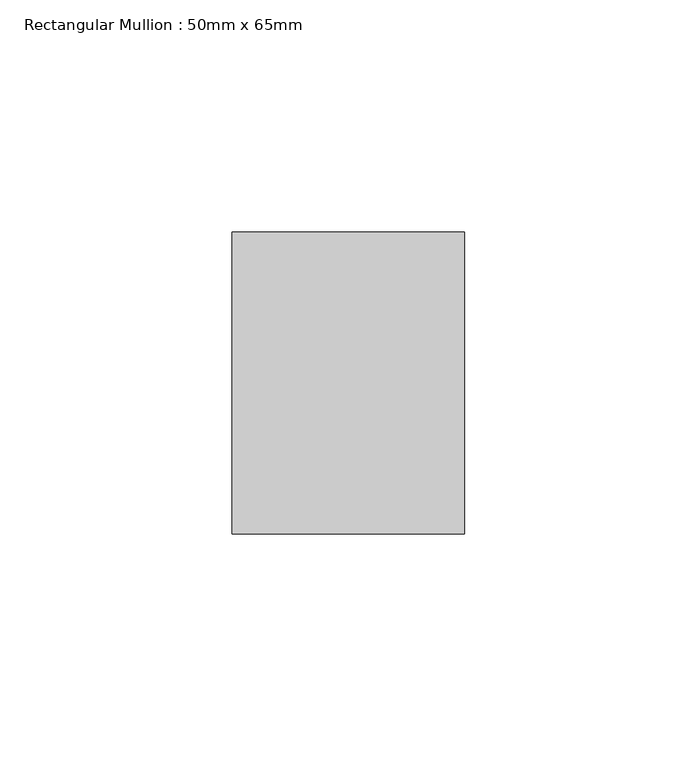
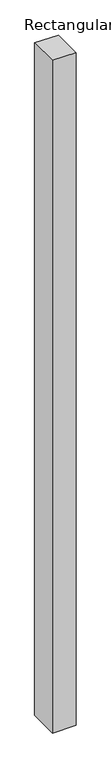
"""IFC4 building model written with IfcOpenShell, lengths in millimetres: member geometry, Rectangular Mullion : 50mm x 65mm."""

from ifc_helpers import new_model, si_unit, origin, place, context, project, spatial, faceted_brep, source, transform, mapped, element, save


def rectangular_mullion_50mm_x_65mm_0fa790a4(model_context):
    return source(origin(), model_context, "Body", "Brep", [
        faceted_brep([(-25.0, 32.5, -0.1835717), (25.0, 32.5, -0.1835731), (25.0, 32.5, -1499.7334528), (-25.0, 32.5, -1499.733455), (-25.0, -32.5, 0.1835731), (-25.0, -32.5, -1500.2663511), (25.0, -32.5, 0.1835717), (25.0, -32.5, -1500.2663489)], [[[0, 1, 2, 3]], [[4, 0, 3, 5]], [[6, 4, 5, 7]], [[1, 6, 7, 2]], [[1, 0, 4, 6]], [[2, 7, 5, 3]]]),
    ])


if __name__ == "__main__":
    model = new_model("IFC4")
    model_context = context("Model", 3, world=origin())
    ifc_project = project(units=[si_unit("LENGTHUNIT", "METRE", prefix="MILLI")], contexts=[model_context])
    site = spatial("IfcSite", under=ifc_project)
    building = spatial("IfcBuilding", under=site)
    placement = place(None, origin())
    rectangular_mullion_50mm_x_65mm_shape = rectangular_mullion_50mm_x_65mm_0fa790a4(model_context)
    element("IfcMember", 1, ObjectType="Rectangular Mullion : 50mm x 65mm", at=placement, inside=building, context=model_context, shape_type="MappedRepresentation", body=[
        mapped(rectangular_mullion_50mm_x_65mm_shape, transform((0.0, 0.0, 0.0), x_axis=(1.0, 0.0, 0.0), y_axis=(0.0, 1.0, 0.0), z_axis=(0.0, 0.0, 1.0))),
    ])
    save(model, "model.ifc")
